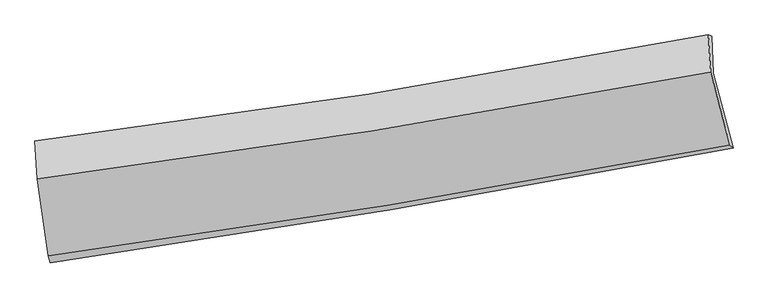
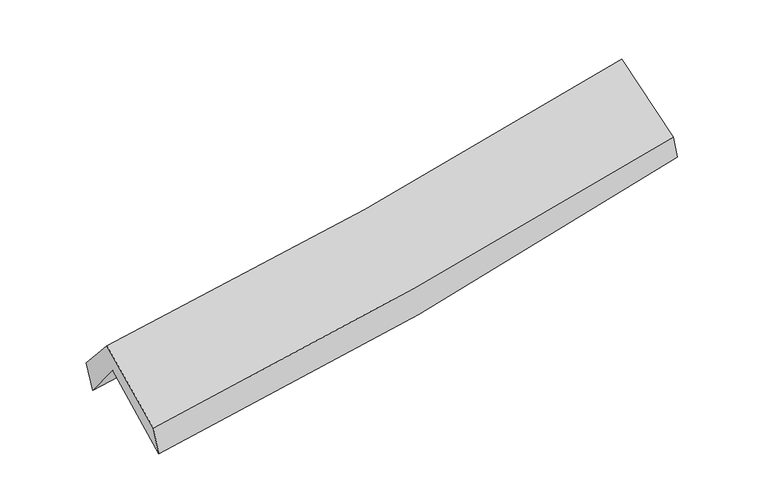
"""IFC4 building model written with IfcOpenShell, lengths in millimetres: proxy geometry."""

from ifc_helpers import new_model, si_unit, frame, origin, place, context, project, spatial, source, transform, mapped, element, save
from ifc_brep_helpers import plane_surface, spline_curve, spline_surface, advanced_brep


def generic_models_6cf12326(model_context):
    return source(origin(), model_context, "Body", "AdvancedBrep", [
        advanced_brep(
        [(-2221.4360409, -2465.1099922, 1496.7644516), (-2295.4804108, -1955.1250831, 1918.9815259), (2245.3486155, -1185.3360349, 2354.6657034), (2379.9869241, -1691.256999, 1933.1339587), (-2308.5482052, -1703.3592185, 1604.6990364), (2234.6120382, -935.9711895, 2026.5183219), (-2324.1531299, -1642.2274818, 1805.0810956), (2214.076301, -927.0152279, 2208.8663161), (-2309.436555, -1900.6230149, 2098.6017907), (2228.768492, -1179.5521363, 2504.3939658), (-2235.1023043, -2417.7982583, 1687.215161), (2358.9739368, -1668.8160379, 2096.7408327)],
        [
            (0, 1),
            (1, 2, spline_curve(3, [(-2295.4804108, -1955.1250831, 1918.9815259), (-1539.900610289, -1847.098811734, 1955.499920693), (-787.434470073, -1729.66788884, 2009.529987697), (726.301368893, -1473.452609458, 2154.048486056), (1487.444903922, -1334.287183177, 2245.246477875), (2245.3486155, -1185.3360349, 2354.6657034)], [4, 2, 4], [0.0, 7.565410696635148, 15.282572095796745])),
            (2, 3),
            (3, 0, spline_curve(3, [(2379.9869241, -1691.256999, 1933.1339587), (1613.179536786, -1839.065174193, 1825.043622451), (842.478096878, -1978.010209797, 1734.445226671), (-691.48119827, -2235.616064169, 1589.669885839), (-1454.587413379, -2354.622026221, 1534.811779077), (-2221.4360409, -2465.1099922, 1496.7644516)], [4, 2, 4], [0.0, 7.717161399161597, 15.282572095796745])),
            (1, 4),
            (4, 5, spline_curve(3, [(-2308.5482052, -1703.3592185, 1604.6990364), (-1552.135535737, -1599.934480644, 1639.302292341), (-799.05839663, -1485.023301318, 1691.232705762), (715.463504579, -1229.692714272, 1831.137049618), (1476.773113215, -1088.807883992, 1919.813064866), (2234.6120382, -935.9711895, 2026.5183219)], [4, 2, 4], [0.0, 7.517292695724022, 15.185370919612488])),
            (5, 2),
            (4, 6),
            (6, 7, spline_curve(3, [(-2324.1531299, -1642.2274818, 1805.0810956), (-1571.125692401, -1550.223099445, 1860.711361621), (-820.16075756, -1445.340859918, 1921.786533791), (692.665957289, -1207.458577355, 2056.160983435), (1454.444166174, -1073.936732058, 2129.680884497), (2214.076301, -927.0152279, 2208.8663161)], [4, 2, 4], [0.0, 7.5045558318965915, 15.159641709722584])),
            (7, 5),
            (6, 8),
            (8, 9, spline_curve(3, [(-2309.436555, -1900.6230149, 2098.6017907), (-1556.366979555, -1802.988771482, 2146.519671036), (-805.382758574, -1694.785078798, 2203.864301273), (707.436754391, -1454.856386326, 2338.746394277), (1469.18754899, -1322.70311922, 2416.665822475), (2228.768492, -1179.5521363, 2504.3939658)], [4, 2, 4], [0.0, 7.492775857330464, 15.135845472107412])),
            (9, 7),
            (8, 10),
            (10, 11, spline_curve(3, [(-2235.1023043, -2417.7982583, 1687.215161), (-1471.553172049, -2314.268049987, 1741.975320593), (-710.713215177, -2200.807119907, 1803.080037681), (820.755305851, -1951.548765875, 1939.331517814), (1591.274095961, -1815.348955967, 2014.735357866), (2358.9739368, -1668.8160379, 2096.7408327)], [4, 2, 4], [0.0, 7.541912076903377, 15.235103509542435])),
            (11, 9),
            (10, 0),
            (3, 11),
        ],
        [
            spline_surface(3, 3, [[(-2221.4360409, -2465.1099922, 1496.7644516), (-1454.587413272, -2354.62202625, 1534.811779137), (-691.48119821, -2235.616064154, 1589.66988574), (842.478096817, -1978.010209811, 1734.445226772), (1613.179536722, -1839.065174211, 1825.043622537), (2379.9869241, -1691.256999, 1933.1339587)], [(-2246.117497549, -2295.115022476, 1637.503476366), (-1483.02514566, -2185.447621422, 1675.041159658), (-723.465622151, -2066.966672367, 1729.623253093), (803.752520814, -1809.824343038, 1874.312979823), (1571.267992419, -1670.805843851, 1965.111241025), (2335.10748789, -1522.616677638, 2073.644540274)], [(-2270.798954151, -2125.120052824, 1778.242501134), (-1511.462878, -2016.273216666, 1815.270540181), (-755.45004607, -1898.317280587, 1869.57662046), (765.026944833, -1641.638476273, 2014.180732886), (1529.356448144, -1502.546513479, 2105.17885949), (2290.22805171, -1353.976356262, 2214.155121826)], [(-2295.4804108, -1955.1250831, 1918.9815259), (-1539.900610389, -1847.098811838, 1955.499920702), (-787.434470011, -1729.6678888, 2009.529987813), (726.30136883, -1473.452609499, 2154.048485937), (1487.44490384, -1334.287183119, 2245.246477978), (2245.3486155, -1185.3360349, 2354.6657034)]], [4, 4], [4, 2, 4], [0.0, 2.183008593888199], [0.0, 7.565410696635148, 15.282572095796745]),
            spline_surface(3, 3, [[(-2295.4804108, -1955.1250831, 1918.9815259), (-1539.900610389, -1847.098811838, 1955.499920702), (-787.434470011, -1729.6678888, 2009.529987813), (726.30136883, -1473.452609499, 2154.048485937), (1487.44490384, -1334.287183119, 2245.246477978), (2245.3486155, -1185.3360349, 2354.6657034)], [(-2299.836342248, -1871.20312824, 1814.220696091), (-1543.978918833, -1764.710701446, 1850.100711276), (-791.309112202, -1648.119692953, 1903.430893804), (722.688747427, -1392.19931113, 2046.411340502), (1483.887640293, -1252.460750113, 2136.768673562), (2241.769756382, -1102.214419767, 2245.283242898)], [(-2304.192273752, -1787.28117336, 1709.459866209), (-1548.057227333, -1682.322591034, 1744.701501777), (-795.183754437, -1566.571497077, 1797.331799775), (719.076125979, -1310.946012731, 1938.774195049), (1480.330376799, -1170.634317106, 2028.290869154), (2238.190897318, -1019.092804633, 2135.900782402)], [(-2308.5482052, -1703.3592185, 1604.6990364), (-1552.135535778, -1599.934480642, 1639.302292352), (-799.058396627, -1485.02330123, 1691.232705766), (715.463504576, -1229.692714362, 1831.137049614), (1476.773113252, -1088.8078841, 1919.813064739), (2234.6120382, -935.9711895, 2026.5183219)]], [4, 4], [4, 2, 4], [0.0, 1.3228470198811395], [0.0, 7.517292695724022, 15.185370919612488]),
            spline_surface(3, 3, [[(-2308.5482052, -1703.3592185, 1604.6990364), (-1552.135535778, -1599.934480642, 1639.302292352), (-799.058396627, -1485.02330123, 1691.232705766), (715.463504576, -1229.692714362, 1831.137049614), (1476.773113252, -1088.8078841, 1919.813064739), (2234.6120382, -935.9711895, 2026.5183219)], [(-2313.74984678, -1682.981972937, 1671.49305614), (-1558.465587981, -1583.364020232, 1713.105315412), (-806.092516952, -1471.795820778, 1768.083981794), (707.864322136, -1222.281335328, 1906.145027556), (1469.330130889, -1083.850833456, 1989.769004718), (2227.766792484, -932.98586898, 2087.300986653)], [(-2318.95148832, -1662.604727363, 1738.28707586), (-1564.795640144, -1566.793559811, 1786.908338451), (-813.12663724, -1458.568340395, 1844.935257789), (700.265139733, -1214.869956364, 1981.153005466), (1461.887148474, -1078.893782773, 2059.724944636), (2220.921546716, -930.00054842, 2148.083651347)], [(-2324.1531299, -1642.2274818, 1805.0810956), (-1571.125692347, -1550.223099401, 1860.711361511), (-820.160757565, -1445.340859942, 1921.786533817), (692.665957294, -1207.45857733, 2056.160983408), (1454.444166111, -1073.936732129, 2129.680884615), (2214.076301, -927.0152279, 2208.8663161)]], [4, 4], [4, 2, 4], [0.0, 0.7573795656823934], [0.0, 7.5045558318965915, 15.159641709722584]),
            spline_surface(3, 3, [[(-2324.1531299, -1642.2274818, 1805.0810956), (-1571.125692347, -1550.223099401, 1860.711361511), (-820.160757565, -1445.340859942, 1921.786533817), (692.665957294, -1207.45857733, 2056.160983408), (1454.444166111, -1073.936732129, 2129.680884615), (2214.076301, -927.0152279, 2208.8663161)], [(-2319.247604935, -1728.359326166, 1902.921327298), (-1566.206121423, -1634.478323395, 1955.980798046), (-815.234757872, -1528.488932927, 2015.812456316), (697.589556305, -1289.924513638, 2150.356120327), (1459.358627029, -1156.858861145, 2225.342530518), (2218.97369799, -1011.194197361, 2307.375532643)], [(-2314.342079965, -1814.491170534, 2000.761559002), (-1561.286550493, -1718.733547392, 2051.250234587), (-810.308758192, -1611.637005897, 2109.83837885), (702.513155304, -1372.390449932, 2244.551257281), (1464.273087975, -1239.780990177, 2321.004176493), (2223.87109501, -1095.373166839, 2405.884749257)], [(-2309.436555, -1900.6230149, 2098.6017907), (-1556.366979569, -1802.988771385, 2146.519671122), (-805.382758499, -1694.785078882, 2203.864301349), (707.436754315, -1454.85638624, 2338.7463942), (1469.187548893, -1322.703119193, 2416.665822396), (2228.768492, -1179.5521363, 2504.3939658)]], [4, 4], [4, 2, 4], [0.0, 1.2347304070171399], [0.0, 7.492775857330464, 15.135845472107412]),
            spline_surface(3, 3, [[(-2309.436555, -1900.6230149, 2098.6017907), (-1556.366979569, -1802.988771385, 2146.519671122), (-805.382758499, -1694.785078882, 2203.864301349), (707.436754315, -1454.85638624, 2338.7463942), (1469.187548893, -1322.703119193, 2416.665822396), (2228.768492, -1179.5521363, 2504.3939658)], [(-2284.658471434, -2073.014762706, 1961.472914115), (-1528.095710422, -1973.41519761, 2011.67155425), (-773.826244069, -1863.459092563, 2070.269546807), (745.209604807, -1620.420512794, 2205.608102068), (1509.883064562, -1486.918398093, 2282.689000901), (2272.170306951, -1342.640103514, 2368.509588115)], [(-2259.880387866, -2245.406510494, 1824.344037585), (-1499.824441275, -2143.841623817, 1876.823437434), (-742.269729592, -2032.133106221, 1936.674792249), (782.982455344, -1785.984639326, 2072.469809919), (1550.578580178, -1651.133676953, 2148.712179361), (2315.572121849, -1505.728070686, 2232.625210385)], [(-2235.1023043, -2417.7982583, 1687.215161), (-1471.553172128, -2314.268050042, 1741.975320562), (-710.713215162, -2200.807119902, 1803.080037707), (820.755305836, -1951.54876588, 1939.331517787), (1591.274095847, -1815.348955853, 2014.735357865), (2358.9739368, -1668.8160379, 2096.7408327)]], [4, 4], [4, 2, 4], [0.0, 2.1317613229433734], [0.0, 7.541912076903377, 15.235103509542435]),
            spline_surface(3, 3, [[(-2235.1023043, -2417.7982583, 1687.215161), (-1471.553172128, -2314.268050042, 1741.975320562), (-710.713215162, -2200.807119902, 1803.080037707), (820.755305836, -1951.54876588, 1939.331517787), (1591.274095847, -1815.348955853, 2014.735357865), (2358.9739368, -1668.8160379, 2096.7408327)], [(-2230.546883153, -2433.568836276, 1623.731591189), (-1465.897919163, -2327.719375454, 1672.920806743), (-704.302542829, -2212.410101323, 1731.943320378), (827.996236178, -1960.369247194, 1871.036087443), (1598.575909474, -1823.254361946, 1951.504779406), (2365.978265902, -1676.29635824, 2042.205208017)], [(-2225.991462047, -2449.339414224, 1560.248021411), (-1460.242666237, -2341.170700838, 1603.866292956), (-697.891870543, -2224.013082733, 1660.806603069), (835.237166474, -1969.189728497, 1802.740657117), (1605.877723096, -1831.159768118, 1888.274200996), (2372.982594998, -1683.77667866, 1987.669583383)], [(-2221.4360409, -2465.1099922, 1496.7644516), (-1454.587413272, -2354.62202625, 1534.811779137), (-691.48119821, -2235.616064154, 1589.66988574), (842.478096817, -1978.010209811, 1734.445226772), (1613.179536722, -1839.065174211, 1825.043622537), (2379.9869241, -1691.256999, 1933.1339587)]], [4, 4], [4, 2, 4], [0.0, 0.6964354947008762], [0.0, 7.601923345196124, 15.356329781455475]),
            plane_surface(frame((2276.9610513, -1264.6579376, 2187.3865164), z_axis=(0.9791482266454437, 0.17589741321979296, 0.1016309513862216), x_axis=(0.2003128213078634, -0.7527014911826841, -0.6271484981972354))),
            plane_surface(frame((-2282.359441, -2014.0405081, 1768.5571769), z_axis=(-0.9932289474671316, -0.10726032109466428, -0.044626017433818346), x_axis=(-0.06947253745564755, 0.2405095015069689, 0.9681573974433821))),
        ],
        [
            (0, [[1, 2, 3, 4]]),
            (1, [[5, 6, 7, -2]]),
            (2, [[8, 9, 10, -6]]),
            (3, [[11, 12, 13, -9]]),
            (4, [[14, 15, 16, -12]]),
            (5, [[17, -4, 18, -15]]),
            (6, [[-16, -18, -3, -7, -10, -13]]),
            (7, [[-17, -14, -11, -8, -5, -1]]),
        ],
    ),
    ])


if __name__ == "__main__":
    model = new_model("IFC4")
    model_context = context("Model", 3, world=origin())
    ifc_project = project(units=[si_unit("LENGTHUNIT", "METRE", prefix="MILLI")], contexts=[model_context])
    site = spatial("IfcSite", under=ifc_project)
    building = spatial("IfcBuilding", under=site)
    placement = place(None, origin())
    generic_models_shape = generic_models_6cf12326(model_context)
    element("IfcBuildingElementProxy", 1, Name="Generic Models", at=placement, inside=building, context=model_context, shape_type="MappedRepresentation", body=[
        mapped(generic_models_shape, transform((0.0, 0.0, 0.0), x_axis=(1.0, 0.0, 0.0), y_axis=(0.0, 1.0, 0.0), z_axis=(0.0, 0.0, 1.0))),
    ])
    save(model, "model.ifc")
